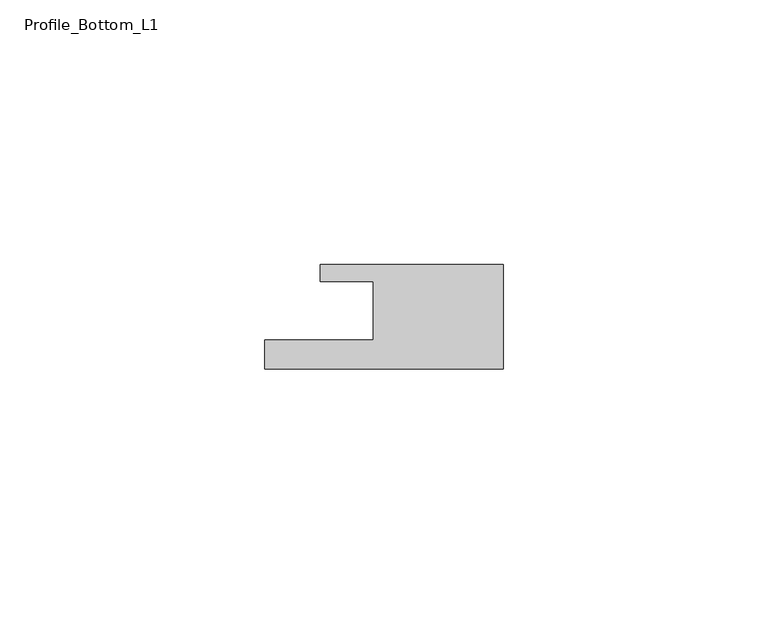
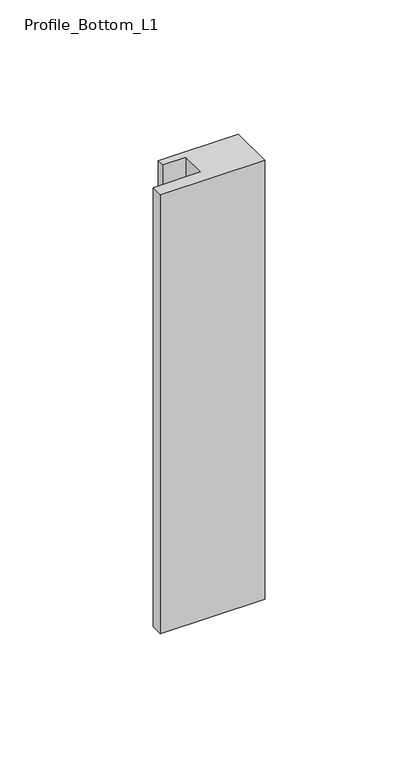
"""IFC4 building model written with IfcOpenShell, lengths in millimetres: member geometry, Profile_Bottom_L1."""

from ifc_helpers import new_model, si_unit, frame, origin, place, context, project, spatial, polyline, outline, extrude, source, transform, mapped, element, save


def profile_bottom_l1_ed216516(model_context):
    return source(origin(), model_context, "Body", "SweptSolid", [
        extrude(outline(polyline([(-45.0, -5.5), (-24.5, -5.5), (-24.5, 5.5), (-34.5, 5.5), (-34.5, 8.7), (0.0, 8.7), (0.0, -11.0), (-45.0, -11.0), (-45.0, -5.5)])), frame((0.0, 0.0, -200.0), z_axis=(0.0, 0.0, 1.0), x_axis=(1.0, 0.0, 0.0)), (0.0, 0.0, 1.0), 200.0),
    ])


if __name__ == "__main__":
    model = new_model("IFC4")
    model_context = context("Model", 3, world=origin())
    ifc_project = project(units=[si_unit("LENGTHUNIT", "METRE", prefix="MILLI")], contexts=[model_context])
    site = spatial("IfcSite", under=ifc_project)
    building = spatial("IfcBuilding", under=site)
    placement = place(None, origin())
    profile_bottom_l1_shape = profile_bottom_l1_ed216516(model_context)
    element("IfcMember", 1, ObjectType="Profile_Bottom_L1", at=placement, inside=building, context=model_context, shape_type="MappedRepresentation", body=[
        mapped(profile_bottom_l1_shape, transform((0.0, 0.0, 0.0), x_axis=(1.0, 0.0, 0.0), y_axis=(0.0, 1.0, 0.0), z_axis=(0.0, 0.0, 1.0))),
    ])
    save(model, "model.ifc")
